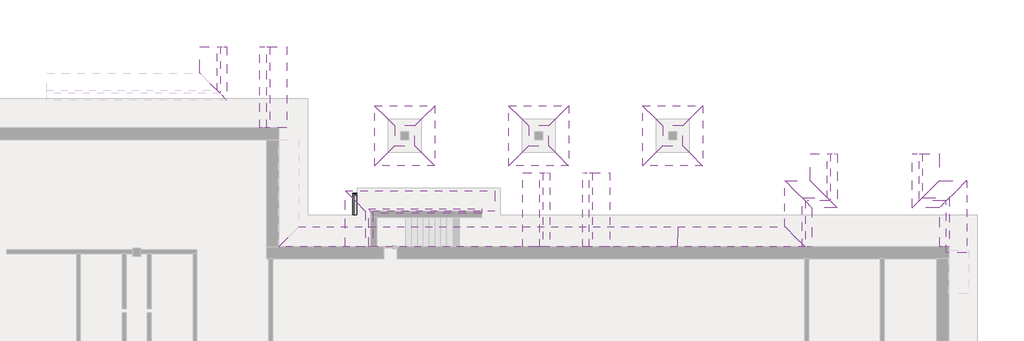
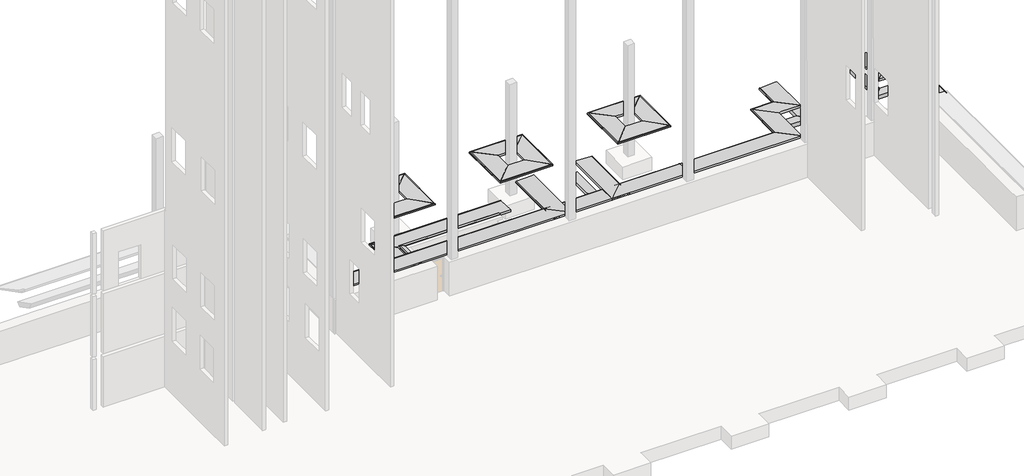
# One storey, part 9 of 9: 40 proxies.
"""IFC4 building model written with IfcOpenShell, lengths in millimetres."""

from ifc_helpers import new_model, si_unit, frame, origin, place, context, project, spatial, polyline, circle_curve, ellipse_curve, faceted_brep, element, save
from ifc_brep_helpers import plane_surface, revolved_surface, advanced_brep

model = new_model("IFC4")

# Units and contexts
model_context = context("Model", 3, world=origin())
ifc_project = project(units=[si_unit("LENGTHUNIT", "METRE", prefix="MILLI")], contexts=[model_context])

# Site, building, storey
site = spatial("IfcSite", under=ifc_project)
building = spatial("IfcBuilding", under=site)
storey = spatial("IfcBuildingStorey", under=building, Elevation=-3300.0)

# Proxies
placement = place(None, origin())
element("IfcBuildingElementProxy", 1, Name="Wall Sweeps", at=placement, inside=storey, context=model_context, shape_type="Brep", body=[
    faceted_brep([(35865.0112841, 1878.1079487, -1230.0), (35865.0112841, 878.1079487, -1230.0), (35865.0112841, 878.1079487, -1200.0), (35865.0112841, 878.1079487, -1100.0), (35865.0112841, 1878.1079487, -1150.0), (35865.0112841, 1878.1079487, -1143.3493649), (35865.0112841, 1905.6079487, -1143.3493649), (35865.0112841, 1918.1079487, -1165.0), (35865.0112841, 1918.1079487, -1230.0), (41432.0213854, 1878.1079487, -1230.0), (41392.0213854, 1918.1079487, -1230.0), (41392.0213854, 1918.1079487, -1165.0), (41404.5213854, 1905.6079487, -1143.3493649), (41432.0213854, 1878.1079487, -1143.3493649), (41432.0213854, 1878.1079487, -1150.0), (42432.0213854, 878.1079487, -1100.0), (42432.0213854, 878.1079487, -1230.0)], [[[0, 1, 2, 3, 4, 5, 6, 7, 8]], [[9, 10, 11, 12, 13, 14, 15, 16]], [[1, 0, 9, 16]], [[3, 2, 1, 16, 15]], [[4, 3, 15, 14]], [[5, 4, 14, 13]], [[6, 5, 13, 12]], [[7, 6, 12, 11]], [[8, 7, 11, 10]], [[0, 8, 10, 9]]]),
])
element("IfcBuildingElementProxy", 2, Name="Wall Sweeps", at=placement, inside=storey, context=model_context, shape_type="Brep", body=[
    faceted_brep([(49306.0163347, 4248.1270954, -1230.0), (48306.0163347, 3248.1270954, -1230.0), (48306.0163347, 3248.1270954, -1100.0), (49306.0163347, 4248.1270954, -1150.0), (49306.0163347, 4248.1270954, -1143.3493649), (49333.5163347, 4275.6270954, -1143.3493649), (49346.0163347, 4288.1270954, -1165.0), (49346.0163347, 4288.1270954, -1230.0), (50710.0112841, 4248.1270954, -1230.0), (50750.0112841, 4288.1270954, -1230.0), (50750.0112841, 4288.1270954, -1165.0), (50737.5112841, 4275.6270954, -1143.3493649), (50710.0112841, 4248.1270954, -1143.3493649), (50710.0112841, 4248.1270954, -1150.0), (49710.0112841, 3248.1270954, -1100.0), (49710.0112841, 3248.1270954, -1230.0)], [[[0, 1, 2, 3, 4, 5, 6, 7]], [[8, 9, 10, 11, 12, 13, 14, 15]], [[1, 0, 8, 15]], [[2, 1, 15, 14]], [[3, 2, 14, 13]], [[4, 3, 13, 12]], [[5, 4, 12, 11]], [[6, 5, 11, 10]], [[7, 6, 10, 9]], [[0, 7, 9, 8]]]),
])
element("IfcBuildingElementProxy", 3, Name="Wall Sweeps", at=placement, inside=storey, context=model_context, shape_type="Brep", body=[
    faceted_brep([(47956.0163347, 2898.1270954, -1800.0), (48456.0163347, 3398.1270954, -1800.0), (48381.0163347, 3323.1270954, -2100.0), (48031.0163347, 2973.1270954, -2100.0), (49360.0112841, 2898.1270954, -1800.0), (49435.0112841, 2973.1270954, -2100.0), (49785.0112841, 3323.1270954, -2100.0), (49860.0112841, 3398.1270954, -1800.0)], [[[0, 1, 2, 3]], [[4, 5, 6, 7]], [[1, 0, 4, 7]], [[2, 1, 7, 6]], [[3, 2, 6, 5]], [[0, 3, 5, 4]]]),
])
element("IfcBuildingElementProxy", 4, Name="Wall Sweeps", at=placement, inside=storey, context=model_context, shape_type="Brep", body=[
    faceted_brep([(41432.0213854, 1878.1079487, -1230.0), (42432.0213854, 878.1079487, -1230.0), (42432.0213854, 878.1079487, -1100.0), (41432.0213854, 1878.1079487, -1150.0), (41432.0213854, 1878.1079487, -1143.3493649), (41404.5213854, 1905.6079487, -1143.3493649), (41392.0213854, 1918.1079487, -1165.0), (41392.0213854, 1918.1079487, -1230.0), (41432.0213854, 4248.1270954, -1230.0), (41392.0213854, 4288.1270954, -1230.0), (41392.0213854, 4288.1270954, -1165.0), (41404.5213854, 4275.6270954, -1143.3493649), (41432.0213854, 4248.1270954, -1143.3493649), (41432.0213854, 4248.1270954, -1150.0), (42432.0213854, 3248.1270954, -1100.0), (42432.0213854, 3248.1270954, -1230.0)], [[[0, 1, 2, 3, 4, 5, 6, 7]], [[8, 9, 10, 11, 12, 13, 14, 15]], [[1, 0, 8, 15]], [[2, 1, 15, 14]], [[3, 2, 14, 13]], [[4, 3, 13, 12]], [[5, 4, 12, 11]], [[6, 5, 11, 10]], [[7, 6, 10, 9]], [[0, 7, 9, 8]]]),
])
element("IfcBuildingElementProxy", 5, Name="Wall Sweeps", at=placement, inside=storey, context=model_context, shape_type="Brep", body=[
    faceted_brep([(42782.0213854, 878.1079487, -1800.0), (42632.0213854, 878.1079487, -1800.0), (42432.0213854, 878.1079487, -1800.0), (42282.0213854, 878.1079487, -1800.0), (42357.0213854, 878.1079487, -2100.0), (42707.0213854, 878.1079487, -2100.0), (42782.0213854, 2898.1270954, -1800.0), (42707.0213854, 2973.1270954, -2100.0), (42357.0213854, 3323.1270954, -2100.0), (42282.0213854, 3398.1270954, -1800.0)], [[[0, 1, 2, 3, 4, 5]], [[6, 7, 8, 9]], [[3, 2, 1, 0, 6, 9]], [[4, 3, 9, 8]], [[5, 4, 8, 7]], [[0, 5, 7, 6]]]),
])
element("IfcBuildingElementProxy", 6, Name="Wall Sweeps", at=placement, inside=storey, context=model_context, shape_type="Brep", body=[
    faceted_brep([(42726.0163347, 4248.1270954, -1230.0), (42686.0163347, 4288.1270954, -1230.0), (42686.0163347, 4288.1270954, -1165.0), (42698.5163347, 4275.6270954, -1143.3493649), (42726.0163347, 4248.1270954, -1143.3493649), (42726.0163347, 4248.1270954, -1150.0), (43726.0163347, 3248.1270954, -1100.0), (43726.0163347, 3248.1270954, -1230.0), (41432.0213854, 4248.1270954, -1230.0), (42432.0213854, 3248.1270954, -1230.0), (42432.0213854, 3248.1270954, -1100.0), (41432.0213854, 4248.1270954, -1150.0), (41432.0213854, 4248.1270954, -1143.3493649), (41404.5213854, 4275.6270954, -1143.3493649), (41392.0213854, 4288.1270954, -1165.0), (41392.0213854, 4288.1270954, -1230.0), (42632.0213854, 3248.1270954, -1100.0)], [[[0, 1, 2, 3, 4, 5, 6, 7]], [[8, 9, 10, 11, 12, 13, 14, 15]], [[0, 7, 9, 8]], [[7, 6, 16, 10, 9]], [[6, 5, 11, 10, 16]], [[5, 4, 12, 11]], [[4, 3, 13, 12]], [[3, 2, 14, 13]], [[2, 1, 15, 14]], [[1, 0, 8, 15]]]),
])
element("IfcBuildingElementProxy", 7, Name="Wall Sweeps", at=placement, inside=storey, context=model_context, shape_type="Brep", body=[
    faceted_brep([(44076.0163347, 2898.1270954, -1800.0), (44001.0163347, 2973.1270954, -2100.0), (43651.0163347, 3323.1270954, -2100.0), (43576.0163347, 3398.1270954, -1800.0), (42782.0213854, 2898.1270954, -1800.0), (42282.0213854, 3398.1270954, -1800.0), (42357.0213854, 3323.1270954, -2100.0), (42707.0213854, 2973.1270954, -2100.0)], [[[0, 1, 2, 3]], [[4, 5, 6, 7]], [[0, 3, 5, 4]], [[3, 2, 6, 5]], [[2, 1, 7, 6]], [[1, 0, 4, 7]]]),
])
element("IfcBuildingElementProxy", 8, Name="Wall Sweeps", at=placement, inside=storey, context=model_context, shape_type="Brep", body=[
    faceted_brep([(42726.0163347, 4248.1270954, -1230.0), (43726.0163347, 3248.1270954, -1230.0), (43726.0163347, 3248.1270954, -1100.0), (42726.0163347, 4248.1270954, -1150.0), (42726.0163347, 4248.1270954, -1143.3493649), (42698.5163347, 4275.6270954, -1143.3493649), (42686.0163347, 4288.1270954, -1165.0), (42686.0163347, 4288.1270954, -1230.0), (42726.0163347, 5668.1079487, -1230.0), (42686.0163347, 5668.1079487, -1230.0), (42686.0163347, 5668.1079487, -1165.0), (42698.5163347, 5668.1079487, -1143.3493649), (42726.0163347, 5668.1079487, -1143.3493649), (42726.0163347, 5668.1079487, -1150.0), (43616.0163347, 5668.1079487, -1105.5), (43726.0163347, 5668.1079487, -1100.0), (43726.0163347, 5668.1079487, -1200.0), (43726.0163347, 5668.1079487, -1230.0), (43726.0163347, 3358.1270954, -1100.0)], [[[0, 1, 2, 3, 4, 5, 6, 7]], [[8, 9, 10, 11, 12, 13, 14, 15, 16, 17]], [[1, 0, 8, 17]], [[2, 1, 17, 16, 15, 18]], [[3, 2, 18, 15, 14, 13]], [[4, 3, 13, 12]], [[5, 4, 12, 11]], [[6, 5, 11, 10]], [[7, 6, 10, 9]], [[0, 7, 9, 8]]]),
])
element("IfcBuildingElementProxy", 9, Name="Wall Sweeps", at=placement, inside=storey, context=model_context, shape_type="Brep", body=[
    faceted_brep([(44076.0163347, 2898.1270954, -1800.0), (43576.0163347, 3398.1270954, -1800.0), (43651.0163347, 3323.1270954, -2100.0), (44001.0163347, 2973.1270954, -2100.0), (44076.0163347, 5668.1079487, -1800.0), (44001.0163347, 5668.1079487, -2100.0), (43651.0163347, 5668.1079487, -2100.0), (43576.0163347, 5668.1079487, -1800.0), (43726.0163347, 5668.1079487, -1800.0), (43926.0163347, 5668.1079487, -1800.0)], [[[0, 1, 2, 3]], [[4, 5, 6, 7, 8, 9]], [[1, 0, 4, 9, 8, 7]], [[2, 1, 7, 6]], [[3, 2, 6, 5]], [[0, 3, 5, 4]]]),
])
element("IfcBuildingElementProxy", 10, Name="Wall Sweeps", at=placement, inside=storey, context=model_context, shape_type="Brep", body=[
    faceted_brep([(50710.0112841, 573.1079487, -1230.0), (50750.0112841, 573.1079487, -1230.0), (50750.0112841, 573.1079487, -1165.0), (50737.5112841, 573.1079487, -1143.3493649), (50710.0112841, 573.1079487, -1143.3493649), (50710.0112841, 573.1079487, -1150.0), (49820.0112841, 573.1079487, -1105.5), (49710.0112841, 573.1079487, -1100.0), (49710.0112841, 573.1079487, -1200.0), (49710.0112841, 573.1079487, -1230.0), (50710.0112841, 4248.1270954, -1230.0), (49710.0112841, 3248.1270954, -1230.0), (49710.0112841, 3248.1270954, -1100.0), (50710.0112841, 4248.1270954, -1150.0), (50710.0112841, 4248.1270954, -1143.3493649), (50737.5112841, 4275.6270954, -1143.3493649), (50750.0112841, 4288.1270954, -1165.0), (50750.0112841, 4288.1270954, -1230.0), (49710.0112841, 3048.1270954, -1100.0)], [[[0, 1, 2, 3, 4, 5, 6, 7, 8, 9]], [[10, 11, 12, 13, 14, 15, 16, 17]], [[1, 0, 10, 17]], [[2, 1, 17, 16]], [[3, 2, 16, 15]], [[4, 3, 15, 14]], [[5, 4, 14, 13]], [[7, 6, 5, 13, 12, 18]], [[9, 8, 7, 18, 12, 11]], [[0, 9, 11, 10]]]),
])
element("IfcBuildingElementProxy", 11, Name="Wall Sweeps", at=placement, inside=storey, context=model_context, shape_type="Brep", body=[
    faceted_brep([(49360.0112841, 878.1079487, -1800.0), (49435.0112841, 878.1079487, -2100.0), (49785.0112841, 878.1079487, -2100.0), (49860.0112841, 878.1079487, -1800.0), (49710.0112841, 878.1079487, -1800.0), (49510.0112841, 878.1079487, -1800.0), (49360.0112841, 2898.1270954, -1800.0), (49860.0112841, 3398.1270954, -1800.0), (49785.0112841, 3323.1270954, -2100.0), (49435.0112841, 2973.1270954, -2100.0)], [[[0, 1, 2, 3, 4, 5]], [[6, 7, 8, 9]], [[1, 0, 6, 9]], [[2, 1, 9, 8]], [[3, 2, 8, 7]], [[0, 5, 4, 3, 7, 6]]]),
])
element("IfcBuildingElementProxy", 12, Name="Wall Sweeps", at=placement, inside=storey, context=model_context, shape_type="Brep", body=[
    faceted_brep([(15700.0112841, 7003.1079487, -1230.0), (15740.0112841, 7003.1079487, -1230.0), (15740.0112841, 7003.1079487, -1165.0), (15727.5112841, 7003.1079487, -1143.3493649), (15700.0112841, 7003.1079487, -1143.3493649), (15700.0112841, 7003.1079487, -1150.0), (14810.0112841, 7003.1079487, -1105.5), (14700.0112841, 7003.1079487, -1100.0), (14700.0112841, 7003.1079487, -1200.0), (14700.0112841, 7003.1079487, -1230.0), (15700.0112841, 11193.1079487, -1230.0), (14700.0112841, 11193.1079487, -1230.0), (14700.0112841, 11193.1079487, -1200.0), (14700.0112841, 11193.1079487, -1100.0), (14810.0112841, 11193.1079487, -1105.5), (15700.0112841, 11193.1079487, -1150.0), (15700.0112841, 11193.1079487, -1143.3493649), (15727.5112841, 11193.1079487, -1143.3493649), (15740.0112841, 11193.1079487, -1165.0), (15740.0112841, 11193.1079487, -1230.0)], [[[0, 1, 2, 3, 4, 5, 6, 7, 8, 9]], [[10, 11, 12, 13, 14, 15, 16, 17, 18, 19]], [[0, 9, 11, 10]], [[9, 8, 7, 13, 12, 11]], [[7, 6, 5, 15, 14, 13]], [[5, 4, 16, 15]], [[4, 3, 17, 16]], [[3, 2, 18, 17]], [[2, 1, 19, 18]], [[1, 0, 10, 19]]]),
])
element("IfcBuildingElementProxy", 13, Name="Wall Sweeps", at=placement, inside=storey, context=model_context, shape_type="Brep", body=[
    faceted_brep([(14350.0112841, 7003.1079487, -1800.0), (14425.0112841, 7003.1079487, -2100.0), (14775.0112841, 7003.1079487, -2100.0), (14850.0112841, 7003.1079487, -1800.0), (14700.0112841, 7003.1079487, -1800.0), (14500.0112841, 7003.1079487, -1800.0), (14350.0112841, 11193.1079487, -1800.0), (14500.0112841, 11193.1079487, -1800.0), (14700.0112841, 11193.1079487, -1800.0), (14850.0112841, 11193.1079487, -1800.0), (14775.0112841, 11193.1079487, -2100.0), (14425.0112841, 11193.1079487, -2100.0)], [[[0, 1, 2, 3, 4, 5]], [[6, 7, 8, 9, 10, 11]], [[0, 5, 4, 3, 9, 8, 7, 6]], [[3, 2, 10, 9]], [[2, 1, 11, 10]], [[1, 0, 6, 11]]]),
])
element("IfcBuildingElementProxy", 14, Name="Wall Sweeps", at=placement, inside=storey, context=model_context, shape_type="Brep", body=[
    faceted_brep([(11300.0112841, 9783.1079487, -1230.0), (12300.0112841, 8783.1079487, -1230.0), (12300.0112841, 8783.1079487, -1100.0), (11300.0112841, 9783.1079487, -1150.0), (11300.0112841, 9783.1079487, -1143.3493649), (11272.5112841, 9810.6079487, -1143.3493649), (11260.0112841, 9823.1079487, -1165.0), (11260.0112841, 9823.1079487, -1230.0), (11300.0112841, 11193.1079487, -1230.0), (11260.0112841, 11193.1079487, -1230.0), (11260.0112841, 11193.1079487, -1165.0), (11272.5112841, 11193.1079487, -1143.3493649), (11300.0112841, 11193.1079487, -1143.3493649), (11300.0112841, 11193.1079487, -1150.0), (12190.0112841, 11193.1079487, -1105.5), (12300.0112841, 11193.1079487, -1100.0), (12300.0112841, 11193.1079487, -1200.0), (12300.0112841, 11193.1079487, -1230.0), (12300.0112841, 8893.1079487, -1100.0)], [[[0, 1, 2, 3, 4, 5, 6, 7]], [[8, 9, 10, 11, 12, 13, 14, 15, 16, 17]], [[1, 0, 8, 17]], [[2, 1, 17, 16, 15, 18]], [[3, 2, 18, 15, 14, 13]], [[4, 3, 13, 12]], [[5, 4, 12, 11]], [[6, 5, 11, 10]], [[7, 6, 10, 9]], [[0, 7, 9, 8]]]),
])
element("IfcBuildingElementProxy", 15, Name="Wall Sweeps", at=placement, inside=storey, context=model_context, shape_type="Brep", body=[
    faceted_brep([(12650.0112841, 8433.1079487, -1800.0), (12150.0112841, 8933.1079487, -1800.0), (12225.0112841, 8858.1079487, -2100.0), (12575.0112841, 8508.1079487, -2100.0), (12650.0112841, 11193.1079487, -1800.0), (12575.0112841, 11193.1079487, -2100.0), (12225.0112841, 11193.1079487, -2100.0), (12150.0112841, 11193.1079487, -1800.0), (12300.0112841, 11193.1079487, -1800.0), (12500.0112841, 11193.1079487, -1800.0)], [[[0, 1, 2, 3]], [[4, 5, 6, 7, 8, 9]], [[1, 0, 4, 9, 8, 7]], [[2, 1, 7, 6]], [[3, 2, 6, 5]], [[0, 3, 5, 4]]]),
])
element("IfcBuildingElementProxy", 16, Name="Wall Sweeps", at=placement, inside=storey, context=model_context, shape_type="Brep", body=[
    faceted_brep([(20300.0112841, 8103.1079487, -1230.0), (21300.0112841, 7103.1079487, -1230.0), (21300.0112841, 7103.1079487, -1100.0), (20300.0112841, 8103.1079487, -1150.0), (20300.0112841, 8103.1079487, -1143.3493649), (20272.5112841, 8130.6079487, -1143.3493649), (20260.0112841, 8143.1079487, -1165.0), (20260.0112841, 8143.1079487, -1230.0), (23320.0112841, 8103.1079487, -1230.0), (23360.0112841, 8143.1079487, -1230.0), (23360.0112841, 8143.1079487, -1165.0), (23347.5112841, 8130.6079487, -1143.3493649), (23320.0112841, 8103.1079487, -1143.3493649), (23320.0112841, 8103.1079487, -1150.0), (22320.0112841, 7103.1079487, -1100.0), (22320.0112841, 7103.1079487, -1230.0)], [[[0, 1, 2, 3, 4, 5, 6, 7]], [[8, 9, 10, 11, 12, 13, 14, 15]], [[1, 0, 8, 15]], [[2, 1, 15, 14]], [[3, 2, 14, 13]], [[4, 3, 13, 12]], [[5, 4, 12, 11]], [[6, 5, 11, 10]], [[7, 6, 10, 9]], [[0, 7, 9, 8]]]),
])
element("IfcBuildingElementProxy", 17, Name="Wall Sweeps", at=placement, inside=storey, context=model_context, shape_type="Brep", body=[
    faceted_brep([(20300.0112841, 8103.1079487, -1230.0), (20260.0112841, 8143.1079487, -1230.0), (20260.0112841, 8143.1079487, -1165.0), (20272.5112841, 8130.6079487, -1143.3493649), (20300.0112841, 8103.1079487, -1143.3493649), (20300.0112841, 8103.1079487, -1150.0), (21300.0112841, 7103.1079487, -1100.0), (21300.0112841, 7103.1079487, -1230.0), (20300.0112841, 5083.1079487, -1230.0), (21300.0112841, 6083.1079487, -1230.0), (21300.0112841, 6083.1079487, -1100.0), (20300.0112841, 5083.1079487, -1150.0), (20300.0112841, 5083.1079487, -1143.3493649), (20272.5112841, 5055.6079487, -1143.3493649), (20260.0112841, 5043.1079487, -1165.0), (20260.0112841, 5043.1079487, -1230.0)], [[[0, 1, 2, 3, 4, 5, 6, 7]], [[8, 9, 10, 11, 12, 13, 14, 15]], [[1, 0, 8, 15]], [[2, 1, 15, 14]], [[3, 2, 14, 13]], [[4, 3, 13, 12]], [[5, 4, 12, 11]], [[6, 5, 11, 10]], [[7, 6, 10, 9]], [[0, 7, 9, 8]]]),
])
element("IfcBuildingElementProxy", 18, Name="Wall Sweeps", at=placement, inside=storey, context=model_context, shape_type="Brep", body=[
    faceted_brep([(23320.0112841, 5083.1079487, -1230.0), (22320.0112841, 6083.1079487, -1230.0), (22320.0112841, 6083.1079487, -1100.0), (23320.0112841, 5083.1079487, -1150.0), (23320.0112841, 5083.1079487, -1143.3493649), (23347.5112841, 5055.6079487, -1143.3493649), (23360.0112841, 5043.1079487, -1165.0), (23360.0112841, 5043.1079487, -1230.0), (20300.0112841, 5083.1079487, -1230.0), (20260.0112841, 5043.1079487, -1230.0), (20260.0112841, 5043.1079487, -1165.0), (20272.5112841, 5055.6079487, -1143.3493649), (20300.0112841, 5083.1079487, -1143.3493649), (20300.0112841, 5083.1079487, -1150.0), (21300.0112841, 6083.1079487, -1100.0), (21300.0112841, 6083.1079487, -1230.0)], [[[0, 1, 2, 3, 4, 5, 6, 7]], [[8, 9, 10, 11, 12, 13, 14, 15]], [[1, 0, 8, 15]], [[2, 1, 15, 14]], [[3, 2, 14, 13]], [[4, 3, 13, 12]], [[5, 4, 12, 11]], [[6, 5, 11, 10]], [[7, 6, 10, 9]], [[0, 7, 9, 8]]]),
])
element("IfcBuildingElementProxy", 19, Name="Wall Sweeps", at=placement, inside=storey, context=model_context, shape_type="Brep", body=[
    faceted_brep([(23320.0112841, 8103.1079487, -1230.0), (22320.0112841, 7103.1079487, -1230.0), (22320.0112841, 7103.1079487, -1100.0), (23320.0112841, 8103.1079487, -1150.0), (23320.0112841, 8103.1079487, -1143.3493649), (23347.5112841, 8130.6079487, -1143.3493649), (23360.0112841, 8143.1079487, -1165.0), (23360.0112841, 8143.1079487, -1230.0), (23320.0112841, 5083.1079487, -1230.0), (23360.0112841, 5043.1079487, -1230.0), (23360.0112841, 5043.1079487, -1165.0), (23347.5112841, 5055.6079487, -1143.3493649), (23320.0112841, 5083.1079487, -1143.3493649), (23320.0112841, 5083.1079487, -1150.0), (22320.0112841, 6083.1079487, -1100.0), (22320.0112841, 6083.1079487, -1230.0)], [[[0, 1, 2, 3, 4, 5, 6, 7]], [[8, 9, 10, 11, 12, 13, 14, 15]], [[1, 0, 8, 15]], [[2, 1, 15, 14]], [[3, 2, 14, 13]], [[4, 3, 13, 12]], [[5, 4, 12, 11]], [[6, 5, 11, 10]], [[7, 6, 10, 9]], [[0, 7, 9, 8]]]),
])
element("IfcBuildingElementProxy", 20, Name="Wall Sweeps", at=placement, inside=storey, context=model_context, shape_type="Brep", body=[
    faceted_brep([(27200.0112841, 8103.1079487, -1230.0), (28200.0112841, 7103.1079487, -1230.0), (28200.0112841, 7103.1079487, -1100.0), (27200.0112841, 8103.1079487, -1150.0), (27200.0112841, 8103.1079487, -1143.3493649), (27172.5112841, 8130.6079487, -1143.3493649), (27160.0112841, 8143.1079487, -1165.0), (27160.0112841, 8143.1079487, -1230.0), (30220.0112841, 8103.1079487, -1230.0), (30260.0112841, 8143.1079487, -1230.0), (30260.0112841, 8143.1079487, -1165.0), (30247.5112841, 8130.6079487, -1143.3493649), (30220.0112841, 8103.1079487, -1143.3493649), (30220.0112841, 8103.1079487, -1150.0), (29220.0112841, 7103.1079487, -1100.0), (29220.0112841, 7103.1079487, -1230.0)], [[[0, 1, 2, 3, 4, 5, 6, 7]], [[8, 9, 10, 11, 12, 13, 14, 15]], [[1, 0, 8, 15]], [[2, 1, 15, 14]], [[3, 2, 14, 13]], [[4, 3, 13, 12]], [[5, 4, 12, 11]], [[6, 5, 11, 10]], [[7, 6, 10, 9]], [[0, 7, 9, 8]]]),
])
element("IfcBuildingElementProxy", 21, Name="Wall Sweeps", at=placement, inside=storey, context=model_context, shape_type="Brep", body=[
    faceted_brep([(27200.0112841, 8103.1079487, -1230.0), (27160.0112841, 8143.1079487, -1230.0), (27160.0112841, 8143.1079487, -1165.0), (27172.5112841, 8130.6079487, -1143.3493649), (27200.0112841, 8103.1079487, -1143.3493649), (27200.0112841, 8103.1079487, -1150.0), (28200.0112841, 7103.1079487, -1100.0), (28200.0112841, 7103.1079487, -1230.0), (27200.0112841, 5083.1079487, -1230.0), (28200.0112841, 6083.1079487, -1230.0), (28200.0112841, 6083.1079487, -1100.0), (27200.0112841, 5083.1079487, -1150.0), (27200.0112841, 5083.1079487, -1143.3493649), (27172.5112841, 5055.6079487, -1143.3493649), (27160.0112841, 5043.1079487, -1165.0), (27160.0112841, 5043.1079487, -1230.0)], [[[0, 1, 2, 3, 4, 5, 6, 7]], [[8, 9, 10, 11, 12, 13, 14, 15]], [[1, 0, 8, 15]], [[2, 1, 15, 14]], [[3, 2, 14, 13]], [[4, 3, 13, 12]], [[5, 4, 12, 11]], [[6, 5, 11, 10]], [[7, 6, 10, 9]], [[0, 7, 9, 8]]]),
])
element("IfcBuildingElementProxy", 22, Name="Wall Sweeps", at=placement, inside=storey, context=model_context, shape_type="Brep", body=[
    faceted_brep([(30220.0112841, 5083.1079487, -1230.0), (29220.0112841, 6083.1079487, -1230.0), (29220.0112841, 6083.1079487, -1100.0), (30220.0112841, 5083.1079487, -1150.0), (30220.0112841, 5083.1079487, -1143.3493649), (30247.5112841, 5055.6079487, -1143.3493649), (30260.0112841, 5043.1079487, -1165.0), (30260.0112841, 5043.1079487, -1230.0), (27200.0112841, 5083.1079487, -1230.0), (27160.0112841, 5043.1079487, -1230.0), (27160.0112841, 5043.1079487, -1165.0), (27172.5112841, 5055.6079487, -1143.3493649), (27200.0112841, 5083.1079487, -1143.3493649), (27200.0112841, 5083.1079487, -1150.0), (28200.0112841, 6083.1079487, -1100.0), (28200.0112841, 6083.1079487, -1230.0)], [[[0, 1, 2, 3, 4, 5, 6, 7]], [[8, 9, 10, 11, 12, 13, 14, 15]], [[1, 0, 8, 15]], [[2, 1, 15, 14]], [[3, 2, 14, 13]], [[4, 3, 13, 12]], [[5, 4, 12, 11]], [[6, 5, 11, 10]], [[7, 6, 10, 9]], [[0, 7, 9, 8]]]),
])
element("IfcBuildingElementProxy", 23, Name="Wall Sweeps", at=placement, inside=storey, context=model_context, shape_type="Brep", body=[
    faceted_brep([(30220.0112841, 8103.1079487, -1230.0), (29220.0112841, 7103.1079487, -1230.0), (29220.0112841, 7103.1079487, -1100.0), (30220.0112841, 8103.1079487, -1150.0), (30220.0112841, 8103.1079487, -1143.3493649), (30247.5112841, 8130.6079487, -1143.3493649), (30260.0112841, 8143.1079487, -1165.0), (30260.0112841, 8143.1079487, -1230.0), (30220.0112841, 5083.1079487, -1230.0), (30260.0112841, 5043.1079487, -1230.0), (30260.0112841, 5043.1079487, -1165.0), (30247.5112841, 5055.6079487, -1143.3493649), (30220.0112841, 5083.1079487, -1143.3493649), (30220.0112841, 5083.1079487, -1150.0), (29220.0112841, 6083.1079487, -1100.0), (29220.0112841, 6083.1079487, -1230.0)], [[[0, 1, 2, 3, 4, 5, 6, 7]], [[8, 9, 10, 11, 12, 13, 14, 15]], [[1, 0, 8, 15]], [[2, 1, 15, 14]], [[3, 2, 14, 13]], [[4, 3, 13, 12]], [[5, 4, 12, 11]], [[6, 5, 11, 10]], [[7, 6, 10, 9]], [[0, 7, 9, 8]]]),
])
element("IfcBuildingElementProxy", 24, Name="Wall Sweeps", at=placement, inside=storey, context=model_context, shape_type="Brep", body=[
    faceted_brep([(34100.0112841, 8103.1079487, -1230.0), (35100.0112841, 7103.1079487, -1230.0), (35100.0112841, 7103.1079487, -1100.0), (34100.0112841, 8103.1079487, -1150.0), (34100.0112841, 8103.1079487, -1143.3493649), (34072.5112841, 8130.6079487, -1143.3493649), (34060.0112841, 8143.1079487, -1165.0), (34060.0112841, 8143.1079487, -1230.0), (37120.0112841, 8103.1079487, -1230.0), (37160.0112841, 8143.1079487, -1230.0), (37160.0112841, 8143.1079487, -1165.0), (37147.5112841, 8130.6079487, -1143.3493649), (37120.0112841, 8103.1079487, -1143.3493649), (37120.0112841, 8103.1079487, -1150.0), (36120.0112841, 7103.1079487, -1100.0), (36120.0112841, 7103.1079487, -1230.0)], [[[0, 1, 2, 3, 4, 5, 6, 7]], [[8, 9, 10, 11, 12, 13, 14, 15]], [[1, 0, 8, 15]], [[2, 1, 15, 14]], [[3, 2, 14, 13]], [[4, 3, 13, 12]], [[5, 4, 12, 11]], [[6, 5, 11, 10]], [[7, 6, 10, 9]], [[0, 7, 9, 8]]]),
])
element("IfcBuildingElementProxy", 25, Name="Wall Sweeps", at=placement, inside=storey, context=model_context, shape_type="Brep", body=[
    faceted_brep([(34100.0112841, 8103.1079487, -1230.0), (34060.0112841, 8143.1079487, -1230.0), (34060.0112841, 8143.1079487, -1165.0), (34072.5112841, 8130.6079487, -1143.3493649), (34100.0112841, 8103.1079487, -1143.3493649), (34100.0112841, 8103.1079487, -1150.0), (35100.0112841, 7103.1079487, -1100.0), (35100.0112841, 7103.1079487, -1230.0), (34100.0112841, 5083.1079487, -1230.0), (35100.0112841, 6083.1079487, -1230.0), (35100.0112841, 6083.1079487, -1100.0), (34100.0112841, 5083.1079487, -1150.0), (34100.0112841, 5083.1079487, -1143.3493649), (34072.5112841, 5055.6079487, -1143.3493649), (34060.0112841, 5043.1079487, -1165.0), (34060.0112841, 5043.1079487, -1230.0)], [[[0, 1, 2, 3, 4, 5, 6, 7]], [[8, 9, 10, 11, 12, 13, 14, 15]], [[1, 0, 8, 15]], [[2, 1, 15, 14]], [[3, 2, 14, 13]], [[4, 3, 13, 12]], [[5, 4, 12, 11]], [[6, 5, 11, 10]], [[7, 6, 10, 9]], [[0, 7, 9, 8]]]),
])
element("IfcBuildingElementProxy", 26, Name="Wall Sweeps", at=placement, inside=storey, context=model_context, shape_type="Brep", body=[
    faceted_brep([(37120.0112841, 5083.1079487, -1230.0), (36120.0112841, 6083.1079487, -1230.0), (36120.0112841, 6083.1079487, -1100.0), (37120.0112841, 5083.1079487, -1150.0), (37120.0112841, 5083.1079487, -1143.3493649), (37147.5112841, 5055.6079487, -1143.3493649), (37160.0112841, 5043.1079487, -1165.0), (37160.0112841, 5043.1079487, -1230.0), (34100.0112841, 5083.1079487, -1230.0), (34060.0112841, 5043.1079487, -1230.0), (34060.0112841, 5043.1079487, -1165.0), (34072.5112841, 5055.6079487, -1143.3493649), (34100.0112841, 5083.1079487, -1143.3493649), (34100.0112841, 5083.1079487, -1150.0), (35100.0112841, 6083.1079487, -1100.0), (35100.0112841, 6083.1079487, -1230.0)], [[[0, 1, 2, 3, 4, 5, 6, 7]], [[8, 9, 10, 11, 12, 13, 14, 15]], [[1, 0, 8, 15]], [[2, 1, 15, 14]], [[3, 2, 14, 13]], [[4, 3, 13, 12]], [[5, 4, 12, 11]], [[6, 5, 11, 10]], [[7, 6, 10, 9]], [[0, 7, 9, 8]]]),
])
element("IfcBuildingElementProxy", 27, Name="Wall Sweeps", at=placement, inside=storey, context=model_context, shape_type="Brep", body=[
    faceted_brep([(37120.0112841, 8103.1079487, -1230.0), (36120.0112841, 7103.1079487, -1230.0), (36120.0112841, 7103.1079487, -1100.0), (37120.0112841, 8103.1079487, -1150.0), (37120.0112841, 8103.1079487, -1143.3493649), (37147.5112841, 8130.6079487, -1143.3493649), (37160.0112841, 8143.1079487, -1165.0), (37160.0112841, 8143.1079487, -1230.0), (37120.0112841, 5083.1079487, -1230.0), (37160.0112841, 5043.1079487, -1230.0), (37160.0112841, 5043.1079487, -1165.0), (37147.5112841, 5055.6079487, -1143.3493649), (37120.0112841, 5083.1079487, -1143.3493649), (37120.0112841, 5083.1079487, -1150.0), (36120.0112841, 6083.1079487, -1100.0), (36120.0112841, 6083.1079487, -1230.0)], [[[0, 1, 2, 3, 4, 5, 6, 7]], [[8, 9, 10, 11, 12, 13, 14, 15]], [[1, 0, 8, 15]], [[2, 1, 15, 14]], [[3, 2, 14, 13]], [[4, 3, 13, 12]], [[5, 4, 12, 11]], [[6, 5, 11, 10]], [[7, 6, 10, 9]], [[0, 7, 9, 8]]]),
])
element("IfcBuildingElementProxy", 28, Name="Wall Sweeps", at=placement, inside=storey, context=model_context, shape_type="Brep", body=[
    faceted_brep([(16320.0112841, 1878.1079487, -1230.0), (15320.0112841, 878.1079487, -1230.0), (15320.0112841, 878.1079487, -1100.0), (16320.0112841, 1878.1079487, -1150.0), (16320.0112841, 1878.1079487, -1143.3493649), (16347.5112841, 1905.6079487, -1143.3493649), (16360.0112841, 1918.1079487, -1165.0), (16360.0112841, 1918.1079487, -1230.0), (35865.0112841, 1878.1079487, -1230.0), (35865.0112841, 1918.1079487, -1230.0), (35865.0112841, 1918.1079487, -1165.0), (35865.0112841, 1905.6079487, -1143.3493649), (35865.0112841, 1878.1079487, -1143.3493649), (35865.0112841, 1878.1079487, -1150.0), (35865.0112841, 878.1079487, -1100.0), (35865.0112841, 878.1079487, -1200.0), (35865.0112841, 878.1079487, -1230.0)], [[[0, 1, 2, 3, 4, 5, 6, 7]], [[8, 9, 10, 11, 12, 13, 14, 15, 16]], [[1, 0, 8, 16]], [[2, 1, 16, 15, 14]], [[3, 2, 14, 13]], [[4, 3, 13, 12]], [[5, 4, 12, 11]], [[6, 5, 11, 10]], [[7, 6, 10, 9]], [[0, 7, 9, 8]]]),
])
element("IfcBuildingElementProxy", 29, Name="Wall Sweeps", at=placement, inside=storey, context=model_context, shape_type="Brep", body=[
    faceted_brep([(32320.0112841, 878.1079487, -1230.0), (32360.0112841, 878.1079487, -1230.0), (32360.0112841, 878.1079487, -1165.0), (32347.5112841, 878.1079487, -1143.3493649), (32320.0112841, 878.1079487, -1143.3493649), (32320.0112841, 878.1079487, -1150.0), (31430.0112841, 878.1079487, -1105.5), (31320.0112841, 878.1079487, -1100.0), (31320.0112841, 878.1079487, -1200.0), (31320.0112841, 878.1079487, -1230.0), (32320.0112841, 4693.1079487, -1230.0), (31320.0112841, 4693.1079487, -1230.0), (31320.0112841, 4693.1079487, -1200.0), (31320.0112841, 4693.1079487, -1100.0), (31430.0112841, 4693.1079487, -1105.5), (32320.0112841, 4693.1079487, -1150.0), (32320.0112841, 4693.1079487, -1143.3493649), (32347.5112841, 4693.1079487, -1143.3493649), (32360.0112841, 4693.1079487, -1165.0), (32360.0112841, 4693.1079487, -1230.0)], [[[0, 1, 2, 3, 4, 5, 6, 7, 8, 9]], [[10, 11, 12, 13, 14, 15, 16, 17, 18, 19]], [[0, 9, 11, 10]], [[9, 8, 7, 13, 12, 11]], [[7, 6, 5, 15, 14, 13]], [[5, 4, 16, 15]], [[4, 3, 17, 16]], [[3, 2, 18, 17]], [[2, 1, 19, 18]], [[1, 0, 10, 19]]]),
])
element("IfcBuildingElementProxy", 30, Name="Wall Sweeps", at=placement, inside=storey, context=model_context, shape_type="Brep", body=[
    faceted_brep([(30970.0112841, 878.1079487, -1800.0), (31045.0112841, 878.1079487, -2100.0), (31395.0112841, 878.1079487, -2100.0), (31470.0112841, 878.1079487, -1800.0), (31320.0112841, 878.1079487, -1800.0), (31120.0112841, 878.1079487, -1800.0), (30970.0112841, 4693.1079487, -1800.0), (31120.0112841, 4693.1079487, -1800.0), (31320.0112841, 4693.1079487, -1800.0), (31470.0112841, 4693.1079487, -1800.0), (31395.0112841, 4693.1079487, -2100.0), (31045.0112841, 4693.1079487, -2100.0)], [[[0, 1, 2, 3, 4, 5]], [[6, 7, 8, 9, 10, 11]], [[0, 5, 4, 3, 9, 8, 7, 6]], [[3, 2, 10, 9]], [[2, 1, 11, 10]], [[1, 0, 6, 11]]]),
])
element("IfcBuildingElementProxy", 31, Name="Wall Sweeps", at=placement, inside=storey, context=model_context, shape_type="Brep", body=[
    faceted_brep([(27920.0112841, 878.1079487, -1230.0), (28920.0112841, 878.1079487, -1230.0), (28920.0112841, 878.1079487, -1200.0), (28920.0112841, 878.1079487, -1100.0), (28810.0112841, 878.1079487, -1105.5), (27920.0112841, 878.1079487, -1150.0), (27920.0112841, 878.1079487, -1143.3493649), (27892.5112841, 878.1079487, -1143.3493649), (27880.0112841, 878.1079487, -1165.0), (27880.0112841, 878.1079487, -1230.0), (27920.0112841, 4693.1079487, -1230.0), (27880.0112841, 4693.1079487, -1230.0), (27880.0112841, 4693.1079487, -1165.0), (27892.5112841, 4693.1079487, -1143.3493649), (27920.0112841, 4693.1079487, -1143.3493649), (27920.0112841, 4693.1079487, -1150.0), (28810.0112841, 4693.1079487, -1105.5), (28920.0112841, 4693.1079487, -1100.0), (28920.0112841, 4693.1079487, -1200.0), (28920.0112841, 4693.1079487, -1230.0)], [[[0, 1, 2, 3, 4, 5, 6, 7, 8, 9]], [[10, 11, 12, 13, 14, 15, 16, 17, 18, 19]], [[1, 0, 10, 19]], [[3, 2, 1, 19, 18, 17]], [[5, 4, 3, 17, 16, 15]], [[6, 5, 15, 14]], [[7, 6, 14, 13]], [[8, 7, 13, 12]], [[9, 8, 12, 11]], [[0, 9, 11, 10]]]),
])
element("IfcBuildingElementProxy", 32, Name="Wall Sweeps", at=placement, inside=storey, context=model_context, shape_type="Brep", body=[
    faceted_brep([(29270.0112841, 878.1079487, -1800.0), (29120.0112841, 878.1079487, -1800.0), (28920.0112841, 878.1079487, -1800.0), (28770.0112841, 878.1079487, -1800.0), (28845.0112841, 878.1079487, -2100.0), (29195.0112841, 878.1079487, -2100.0), (29270.0112841, 4693.1079487, -1800.0), (29195.0112841, 4693.1079487, -2100.0), (28845.0112841, 4693.1079487, -2100.0), (28770.0112841, 4693.1079487, -1800.0), (28920.0112841, 4693.1079487, -1800.0), (29120.0112841, 4693.1079487, -1800.0)], [[[0, 1, 2, 3, 4, 5]], [[6, 7, 8, 9, 10, 11]], [[3, 2, 1, 0, 6, 11, 10, 9]], [[4, 3, 9, 8]], [[5, 4, 8, 7]], [[0, 5, 7, 6]]]),
])
element("IfcBuildingElementProxy", 33, Name="Wall Sweeps", at=placement, inside=storey, context=model_context, shape_type="Brep", body=[
    faceted_brep([(26445.0112841, 3713.1079487, -1330.0), (26445.0112841, 3753.1079487, -1330.0), (26445.0112841, 3753.1079487, -1265.0), (26445.0112841, 3740.6079487, -1243.3493649), (26445.0112841, 3713.1079487, -1243.3493649), (26445.0112841, 3713.1079487, -1250.0), (26445.0112841, 2713.1079487, -1200.0), (26445.0112841, 2713.1079487, -1300.0), (26445.0112841, 2713.1079487, -1330.0), (18790.0112841, 3713.1079487, -1330.0), (19790.0112841, 2713.1079487, -1330.0), (19790.0112841, 2713.1079487, -1200.0), (18790.0112841, 3713.1079487, -1250.0), (18790.0112841, 3713.1079487, -1243.3493649), (18762.5112841, 3740.6079487, -1243.3493649), (18750.0112841, 3753.1079487, -1265.0), (18750.0112841, 3753.1079487, -1330.0)], [[[0, 1, 2, 3, 4, 5, 6, 7, 8]], [[9, 10, 11, 12, 13, 14, 15, 16]], [[1, 0, 9, 16]], [[2, 1, 16, 15]], [[3, 2, 15, 14]], [[4, 3, 14, 13]], [[5, 4, 13, 12]], [[6, 5, 12, 11]], [[8, 7, 6, 11, 10]], [[0, 8, 10, 9]]]),
])
element("IfcBuildingElementProxy", 34, Name="Wall Sweeps", at=placement, inside=storey, context=model_context, shape_type="Brep", body=[
    faceted_brep([(18790.0112841, 3713.1079487, -1330.0), (18750.0112841, 3753.1079487, -1330.0), (18750.0112841, 3753.1079487, -1265.0), (18762.5112841, 3740.6079487, -1243.3493649), (18790.0112841, 3713.1079487, -1243.3493649), (18790.0112841, 3713.1079487, -1250.0), (19790.0112841, 2713.1079487, -1200.0), (19790.0112841, 2713.1079487, -1330.0), (18790.0112841, 878.1079487, -1330.0), (19790.0112841, 878.1079487, -1330.0), (19790.0112841, 878.1079487, -1300.0), (19790.0112841, 878.1079487, -1200.0), (18790.0112841, 878.1079487, -1250.0), (18790.0112841, 878.1079487, -1243.3493649), (18762.5112841, 878.1079487, -1243.3493649), (18750.0112841, 878.1079487, -1265.0), (18750.0112841, 878.1079487, -1330.0)], [[[0, 1, 2, 3, 4, 5, 6, 7]], [[8, 9, 10, 11, 12, 13, 14, 15, 16]], [[1, 0, 8, 16]], [[2, 1, 16, 15]], [[3, 2, 15, 14]], [[4, 3, 14, 13]], [[5, 4, 13, 12]], [[6, 5, 12, 11]], [[7, 6, 11, 10, 9]], [[0, 7, 9, 8]]]),
])
element("IfcBuildingElementProxy", 35, Name="Wall Sweeps", at=placement, inside=storey, context=model_context, shape_type="AdvancedBrep", body=[
    advanced_brep(
    [(25772.7353401, 2828.1079487, -1215.0), (25772.7353401, 2763.1079487, -1169.48651), (25772.7353401, 2613.1079487, -1169.48651), (25772.7353401, 2613.1079487, -1200.0), (25772.7353401, 2713.1079487, -1200.0), (25772.7353401, 2713.1079487, -1350.0), (25772.7353401, 2763.1079487, -1350.0), (25772.7353401, 2828.1079487, -1285.0), (19947.7353401, 2828.1079487, -1215.0), (19947.7353401, 2828.1079487, -1285.0), (20012.7353401, 2763.1079487, -1350.0), (20062.7353401, 2713.1079487, -1350.0), (20062.7353401, 2713.1079487, -1200.0), (20162.7353401, 2613.1079487, -1200.0), (20162.7353401, 2613.1079487, -1169.48651), (20012.7353401, 2763.1079487, -1169.48651)],
    [
        (0, 1),
        (1, 2),
        (2, 3),
        (3, 4),
        (4, 5),
        (5, 6),
        (6, 7, circle_curve(frame((25772.7353401, 2828.1079487, -1350.0), z_axis=(-1.0, 0.0, 0.0), x_axis=(0.0, 1.0, 0.0)), 65.0)),
        (7, 0),
        (8, 9),
        (9, 10, ellipse_curve(frame((19947.7353401, 2828.1079487, -1350.0), z_axis=(0.7071067811865529, 0.7071067811865422, 0.0), x_axis=(-0.7071067811865421, 0.7071067811865529, 0.0)), 91.9238816, 65.0)),
        (10, 11),
        (11, 12),
        (12, 13),
        (13, 14),
        (14, 15),
        (15, 8),
        (0, 8),
        (15, 1),
        (14, 2),
        (13, 3),
        (12, 4),
        (11, 5),
        (10, 6),
        (9, 7),
    ],
    [
        plane_surface(frame((25772.7353401, 2713.1079487, -1358.113883), z_axis=(1.0, 0.0, 0.0), x_axis=(0.0, -1.0, 0.0))),
        plane_surface(frame((20062.7353401, 2713.1079487, -1504.8), z_axis=(-0.7071067811865529, -0.7071067811865422, 0.0), x_axis=(0.7071067811865422, -0.7071067811865529, 0.0))),
        plane_surface(frame((25772.7353401, 2828.1079487, -1215.0), z_axis=(0.0, 0.5735764363510482, 0.8191520442889904), x_axis=(-1.0, 0.0, 0.0))),
        plane_surface(frame((25772.7353401, 2763.1079487, -1169.48651), z_axis=(0.0, 0.0, 1.0), x_axis=(-1.0, 0.0, 0.0))),
        plane_surface(frame((25772.7353401, 2613.1079487, -1169.48651), z_axis=(0.0, -1.0, 0.0), x_axis=(-1.0, 0.0, 0.0))),
        plane_surface(frame((25772.7353401, 2613.1079487, -1200.0), z_axis=(0.0, 0.0, -1.0), x_axis=(-1.0, 0.0, 0.0))),
        plane_surface(frame((25772.7353401, 2713.1079487, -1200.0), z_axis=(0.0, -1.0, 0.0), x_axis=(-1.0, 0.0, 0.0))),
        plane_surface(frame((25772.7353401, 2713.1079487, -1350.0), z_axis=(0.0, 0.0, -1.0), x_axis=(-1.0, 0.0, 0.0))),
        revolved_surface(polyline([(19882.73534006765, 2893.1079487, -1350.0), (25772.7353401, 2893.1079487, -1350.0)]), (25772.7353401, 2828.1079487, -1350.0), (-1.0, 0.0, 0.0)),
        plane_surface(frame((25772.7353401, 2828.1079487, -1285.0), z_axis=(0.0, 1.0, 0.0), x_axis=(-1.0, 0.0, 0.0))),
    ],
    [
        (0, [[1, 2, 3, 4, 5, 6, 7, 8]]),
        (1, [[9, 10, 11, 12, 13, 14, 15, 16]]),
        (2, [[-1, 17, -16, 18]]),
        (3, [[-2, -18, -15, 19]]),
        (4, [[-3, -19, -14, 20]]),
        (5, [[-4, -20, -13, 21]]),
        (6, [[-5, -21, -12, 22]]),
        (7, [[-6, -22, -11, 23]]),
        (8, [[-7, -23, -10, 24]]),
        (9, [[-8, -24, -9, -17]]),
    ],
),
])
element("IfcBuildingElementProxy", 36, Name="Wall Sweeps", at=placement, inside=storey, context=model_context, shape_type="Brep", body=[
    faceted_brep([(25772.7353401, 3603.1079487, -3930.0), (25772.7353401, 3643.1079487, -3930.0), (25772.7353401, 3643.1079487, -3865.0), (25772.7353401, 3630.6079487, -3843.3493649), (25772.7353401, 3603.1079487, -3843.3493649), (25772.7353401, 3603.1079487, -3850.0), (25772.7353401, 2713.1079487, -3805.5), (25772.7353401, 2603.1079487, -3800.0), (25772.7353401, 2603.1079487, -3900.0), (25772.7353401, 2603.1079487, -3930.0), (19172.7353401, 3603.1079487, -3930.0), (20172.7353401, 2603.1079487, -3930.0), (20172.7353401, 2603.1079487, -3800.0), (19172.7353401, 3603.1079487, -3850.0), (19172.7353401, 3603.1079487, -3843.3493649), (19145.2353401, 3630.6079487, -3843.3493649), (19132.7353401, 3643.1079487, -3865.0), (19132.7353401, 3643.1079487, -3930.0)], [[[0, 1, 2, 3, 4, 5, 6, 7, 8, 9]], [[10, 11, 12, 13, 14, 15, 16, 17]], [[1, 0, 10, 17]], [[2, 1, 17, 16]], [[3, 2, 16, 15]], [[4, 3, 15, 14]], [[5, 4, 14, 13]], [[7, 6, 5, 13, 12]], [[9, 8, 7, 12, 11]], [[0, 9, 11, 10]]]),
])
element("IfcBuildingElementProxy", 37, Name="Wall Sweeps", at=placement, inside=storey, context=model_context, shape_type="AdvancedBrep", body=[
    advanced_brep(
    [(19947.7353401, 2828.1079487, -1215.0), (20012.7353401, 2763.1079487, -1169.48651), (20162.7353401, 2613.1079487, -1169.48651), (20162.7353401, 2613.1079487, -1200.0), (20062.7353401, 2713.1079487, -1200.0), (20062.7353401, 2713.1079487, -1350.0), (20012.7353401, 2763.1079487, -1350.0), (19947.7353401, 2828.1079487, -1285.0), (19947.7353401, 878.1079487, -1215.0), (19947.7353401, 878.1079487, -1285.0), (20012.7353401, 878.1079487, -1350.0), (20062.7353401, 878.1079487, -1350.0), (20062.7353401, 878.1079487, -1200.0), (20162.7353401, 878.1079487, -1200.0), (20162.7353401, 878.1079487, -1169.48651), (20012.7353401, 878.1079487, -1169.48651), (20062.7353401, 2403.1079487, -1200.0)],
    [
        (0, 1),
        (1, 2),
        (2, 3),
        (3, 4),
        (4, 5),
        (5, 6),
        (6, 7, ellipse_curve(frame((19947.7353401, 2828.1079487, -1350.0), z_axis=(-0.7071067811865529, -0.7071067811865422, 0.0), x_axis=(0.7071067811865422, -0.7071067811865527, 0.0)), 91.9238816, 65.0)),
        (7, 0),
        (8, 9),
        (9, 10, circle_curve(frame((19947.7353401, 878.1079487, -1350.0), z_axis=(0.0, 1.0, 0.0), x_axis=(-1.0, 0.0, 0.0)), 65.0)),
        (10, 11),
        (11, 12),
        (12, 13),
        (13, 14),
        (14, 15),
        (15, 8),
        (0, 8),
        (15, 1),
        (14, 2),
        (13, 3),
        (12, 16),
        (16, 4),
        (11, 5),
        (10, 6),
        (9, 7),
    ],
    [
        plane_surface(frame((20062.7353401, 2713.1079487, -1504.8), z_axis=(0.7071067811865529, 0.7071067811865422, 0.0), x_axis=(0.7071067811865422, -0.7071067811865529, 0.0))),
        plane_surface(frame((19904.6214571, 878.1079487, -1200.0), z_axis=(0.0, -1.0, 0.0), x_axis=(0.0, 0.0, -1.0))),
        plane_surface(frame((19947.7353401, 2828.1079487, -1215.0), z_axis=(-0.5735764363510482, 0.0, 0.8191520442889904), x_axis=(0.0, -1.0, 0.0))),
        plane_surface(frame((20012.7353401, 2763.1079487, -1169.48651), z_axis=(0.0, 0.0, 1.0), x_axis=(0.0, -1.0, 0.0))),
        plane_surface(frame((20162.7353401, 2613.1079487, -1169.48651), z_axis=(1.0, 0.0, 0.0), x_axis=(0.0, -1.0, 0.0))),
        plane_surface(frame((20162.7353401, 2613.1079487, -1200.0), z_axis=(0.0, 0.0, -1.0), x_axis=(0.0, -1.0, 0.0))),
        plane_surface(frame((20062.7353401, 2713.1079487, -1200.0), z_axis=(1.0, 0.0, 0.0), x_axis=(0.0, -1.0, 0.0))),
        plane_surface(frame((20062.7353401, 2713.1079487, -1350.0), z_axis=(0.0, 0.0, -1.0), x_axis=(0.0, -1.0, 0.0))),
        revolved_surface(polyline([(19882.7353401, 878.1079487, -1350.0), (19882.7353401, 2893.10794873235, -1350.0)]), (19947.7353401, 2713.1079487, -1350.0), (0.0, -1.0, 0.0)),
        plane_surface(frame((19947.7353401, 2828.1079487, -1285.0), z_axis=(-1.0, 0.0, 0.0), x_axis=(0.0, -1.0, 0.0))),
    ],
    [
        (0, [[1, 2, 3, 4, 5, 6, 7, 8]]),
        (1, [[9, 10, 11, 12, 13, 14, 15, 16]]),
        (2, [[-1, 17, -16, 18]]),
        (3, [[-2, -18, -15, 19]]),
        (4, [[-3, -19, -14, 20]]),
        (5, [[-4, -20, -13, 21, 22]]),
        (6, [[-5, -22, -21, -12, 23]]),
        (7, [[-6, -23, -11, 24]]),
        (8, [[-7, -24, -10, 25]]),
        (9, [[-8, -25, -9, -17]]),
    ],
),
])
element("IfcBuildingElementProxy", 38, Name="Wall Sweeps", at=placement, inside=storey, context=model_context, shape_type="Brep", body=[
    faceted_brep([(19172.7353401, 3603.1079487, -3930.0), (19132.7353401, 3643.1079487, -3930.0), (19132.7353401, 3643.1079487, -3865.0), (19145.2353401, 3630.6079487, -3843.3493649), (19172.7353401, 3603.1079487, -3843.3493649), (19172.7353401, 3603.1079487, -3850.0), (20172.7353401, 2603.1079487, -3800.0), (20172.7353401, 2603.1079487, -3930.0), (19172.7353401, 878.1079487, -3930.0), (20172.7353401, 878.1079487, -3930.0), (20172.7353401, 878.1079487, -3900.0), (20172.7353401, 878.1079487, -3800.0), (20062.7353401, 878.1079487, -3805.5), (19172.7353401, 878.1079487, -3850.0), (19172.7353401, 878.1079487, -3843.3493649), (19145.2353401, 878.1079487, -3843.3493649), (19132.7353401, 878.1079487, -3865.0), (19132.7353401, 878.1079487, -3930.0), (20172.7353401, 2403.1079487, -3800.0)], [[[0, 1, 2, 3, 4, 5, 6, 7]], [[8, 9, 10, 11, 12, 13, 14, 15, 16, 17]], [[1, 0, 8, 17]], [[2, 1, 17, 16]], [[3, 2, 16, 15]], [[4, 3, 15, 14]], [[5, 4, 14, 13]], [[6, 5, 13, 12, 11, 18]], [[7, 6, 18, 11, 10, 9]], [[0, 7, 9, 8]]]),
])
element("IfcBuildingElementProxy", 39, Name="Wall Sweeps", at=placement, inside=storey, context=model_context, shape_type="Brep", body=[
    faceted_brep([(49306.0163347, 4248.1270954, -1230.0), (49346.0163347, 4288.1270954, -1230.0), (49346.0163347, 4288.1270954, -1165.0), (49333.5163347, 4275.6270954, -1143.3493649), (49306.0163347, 4248.1270954, -1143.3493649), (49306.0163347, 4248.1270954, -1150.0), (48306.0163347, 3248.1270954, -1100.0), (48306.0163347, 3248.1270954, -1230.0), (49306.0163347, 5668.1079487, -1230.0), (48306.0163347, 5668.1079487, -1230.0), (48306.0163347, 5668.1079487, -1200.0), (48306.0163347, 5668.1079487, -1100.0), (48416.0163347, 5668.1079487, -1105.5), (49306.0163347, 5668.1079487, -1150.0), (49306.0163347, 5668.1079487, -1143.3493649), (49333.5163347, 5668.1079487, -1143.3493649), (49346.0163347, 5668.1079487, -1165.0), (49346.0163347, 5668.1079487, -1230.0), (48306.0163347, 3358.1270954, -1100.0)], [[[0, 1, 2, 3, 4, 5, 6, 7]], [[8, 9, 10, 11, 12, 13, 14, 15, 16, 17]], [[1, 0, 8, 17]], [[2, 1, 17, 16]], [[3, 2, 16, 15]], [[4, 3, 15, 14]], [[5, 4, 14, 13]], [[6, 5, 13, 12, 11, 18]], [[7, 6, 18, 11, 10, 9]], [[0, 7, 9, 8]]]),
])
element("IfcBuildingElementProxy", 40, Name="Wall Sweeps", at=placement, inside=storey, context=model_context, shape_type="Brep", body=[
    faceted_brep([(47956.0163347, 2898.1270954, -1800.0), (48031.0163347, 2973.1270954, -2100.0), (48381.0163347, 3323.1270954, -2100.0), (48456.0163347, 3398.1270954, -1800.0), (47956.0163347, 5668.1079487, -1800.0), (48106.0163347, 5668.1079487, -1800.0), (48306.0163347, 5668.1079487, -1800.0), (48456.0163347, 5668.1079487, -1800.0), (48381.0163347, 5668.1079487, -2100.0), (48031.0163347, 5668.1079487, -2100.0)], [[[0, 1, 2, 3]], [[4, 5, 6, 7, 8, 9]], [[1, 0, 4, 9]], [[2, 1, 9, 8]], [[3, 2, 8, 7]], [[0, 3, 7, 6, 5, 4]]]),
])

save(model, "model.ifc")
